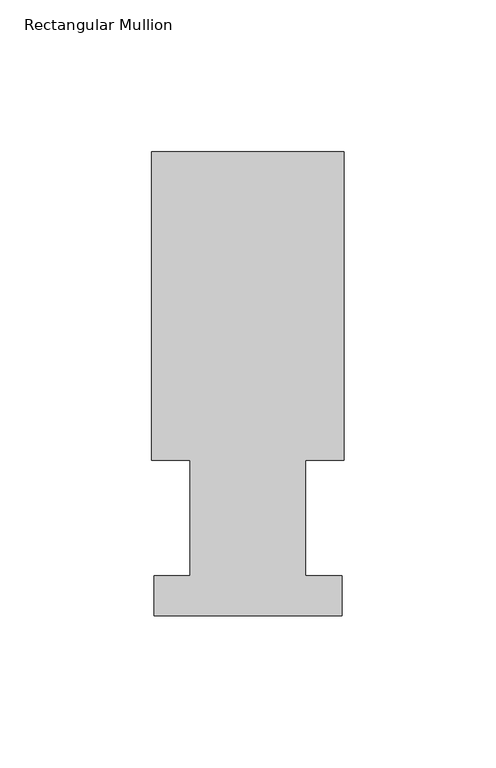
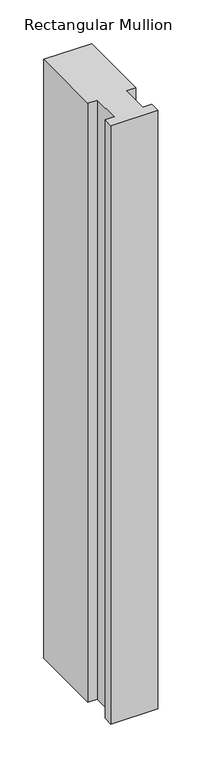
"""IFC4 building model written with IfcOpenShell, lengths in millimetres: member geometry, Rectangular Mullion."""

from ifc_helpers import new_model, si_unit, frame, origin, place, context, project, spatial, polyline, outline, extrude, source, transform, mapped, element, save


def rectangular_mullion_8ded74a3(model_context):
    return source(origin(), model_context, "Body", "SweptSolid", [
        extrude(outline(polyline([(-31.7500003, 152.8960938), (31.7499997, 152.8960938), (31.7499997, 51.2960938), (19.0499991, 51.2960938), (19.0499991, 13.1960938), (30.9626022, 13.1960938), (30.9626022, 0.0084138), (-30.9625988, 0.0084138), (-30.9625988, 13.1960937), (-19.0499997, 13.1960937), (-19.0499997, 51.2960938), (-31.7500003, 51.2960938), (-31.7500003, 152.8960938)])), frame((0.0, 0.0, -838.2000003), z_axis=(0.0, 0.0, 1.0), x_axis=(1.0, 0.0, 0.0)), (0.0, 0.0, 1.0), 838.2000003),
    ])


if __name__ == "__main__":
    model = new_model("IFC4")
    model_context = context("Model", 3, world=origin())
    ifc_project = project(units=[si_unit("LENGTHUNIT", "METRE", prefix="MILLI")], contexts=[model_context])
    site = spatial("IfcSite", under=ifc_project)
    building = spatial("IfcBuilding", under=site)
    placement = place(None, origin())
    rectangular_mullion_shape = rectangular_mullion_8ded74a3(model_context)
    element("IfcMember", 1, ObjectType="Rectangular Mullion", at=placement, inside=building, context=model_context, shape_type="MappedRepresentation", body=[
        mapped(rectangular_mullion_shape, transform((0.0, 0.0, 0.0), x_axis=(1.0, 0.0, 0.0), y_axis=(0.0, 1.0, 0.0), z_axis=(0.0, 0.0, 1.0))),
    ])
    save(model, "model.ifc")
